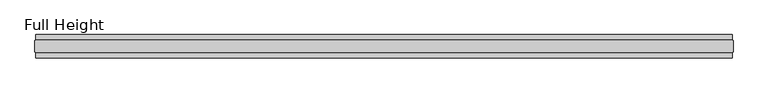
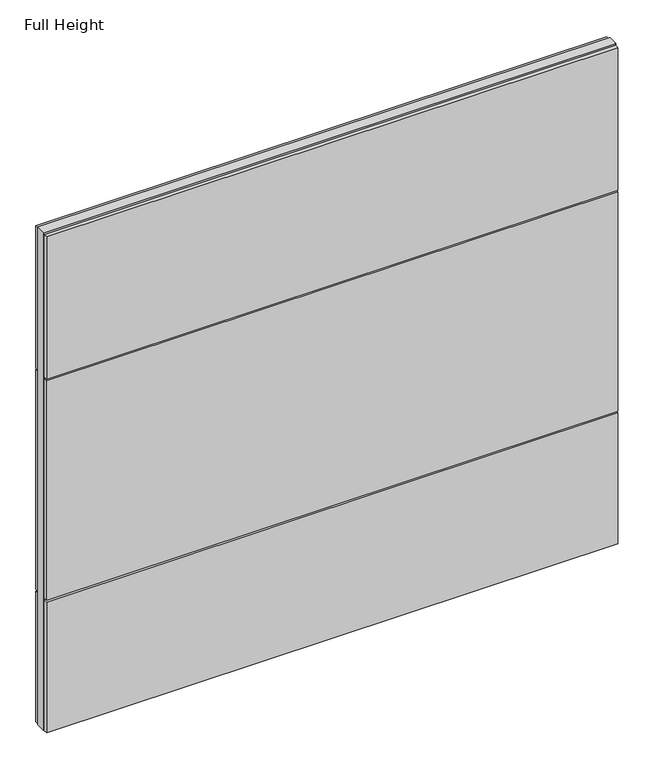
"""IFC4 building model written with IfcOpenShell, lengths in millimetres: plate geometry, Full Height."""

from ifc_helpers import new_model, si_unit, frame, origin, origin_with_axes, place, context, project, spatial, polyline, outline, extrude, source, transform, mapped, element, save


def full_height_316d5199(model_context):
    return source(origin(), model_context, "Body", "SweptSolid", [
        extrude(outline(polyline([(1488.886048, 28.956), (-1488.886048, 28.956), (-1488.886048, 49.53), (1488.886048, 49.53), (1488.886048, 28.956)])), frame((0.0, 0.0, 1949.196), z_axis=(0.0, 0.0, 1.0), x_axis=(1.0, 0.0, 0.0)), (0.0, 0.0, 1.0), 784.86),
        extrude(outline(polyline([(1488.886048, 28.956), (-1488.886048, 28.956), (-1488.886048, 49.53), (1488.886048, 49.53), (1488.886048, 28.956)])), frame((0.0, 0.0, 729.996), z_axis=(0.0, 0.0, 1.0), x_axis=(1.0, 0.0, 0.0)), (0.0, 0.0, 1.0), 1210.056),
        extrude(outline(polyline([(1488.886048, 28.956), (-1488.886048, 28.956), (-1488.886048, 49.53), (1488.886048, 49.53), (1488.886048, 28.956)])), origin_with_axes(), (0.0, 0.0, 1.0), 720.852),
        extrude(outline(polyline([(1488.886048, -28.956), (1488.886048, -49.53), (-1488.886048, -49.53), (-1488.886048, -28.956), (1488.886048, -28.956)])), frame((0.0, 0.0, 1949.196), z_axis=(0.0, 0.0, 1.0), x_axis=(1.0, 0.0, 0.0)), (0.0, 0.0, 1.0), 784.86),
        extrude(outline(polyline([(1488.886048, -28.956), (1488.886048, -49.53), (-1488.886048, -49.53), (-1488.886048, -28.956), (1488.886048, -28.956)])), frame((0.0, 0.0, 729.996), z_axis=(0.0, 0.0, 1.0), x_axis=(1.0, 0.0, 0.0)), (0.0, 0.0, 1.0), 1210.056),
        extrude(outline(polyline([(1488.886048, -28.956), (1488.886048, -49.53), (-1488.886048, -49.53), (-1488.886048, -28.956), (1488.886048, -28.956)])), origin_with_axes(), (0.0, 0.0, 1.0), 720.852),
        extrude(outline(polyline([(1488.886048, -25.146), (1488.886048, -26.67), (-1488.886048, -26.67), (-1488.886048, -25.146), (-1493.458048, -25.146), (-1493.458048, 25.146), (-1488.886048, 25.146), (-1488.886048, 26.67), (1488.886048, 26.67), (1488.886048, 25.146), (1493.458048, 25.146), (1493.458048, -25.146), (1488.886048, -25.146)])), origin_with_axes(), (0.0, 0.0, 1.0), 2743.2),
    ])


if __name__ == "__main__":
    model = new_model("IFC4")
    model_context = context("Model", 3, world=origin())
    ifc_project = project(units=[si_unit("LENGTHUNIT", "METRE", prefix="MILLI")], contexts=[model_context])
    site = spatial("IfcSite", under=ifc_project)
    building = spatial("IfcBuilding", under=site)
    placement = place(None, origin())
    full_height_shape = full_height_316d5199(model_context)
    element("IfcPlate", 1, ObjectType="Full Height", at=placement, inside=building, context=model_context, shape_type="MappedRepresentation", body=[
        mapped(full_height_shape, transform((0.0, 0.0, 0.0), x_axis=(1.0, 0.0, 0.0), y_axis=(0.0, 1.0, 0.0), z_axis=(0.0, 0.0, 1.0))),
    ])
    save(model, "model.ifc")
